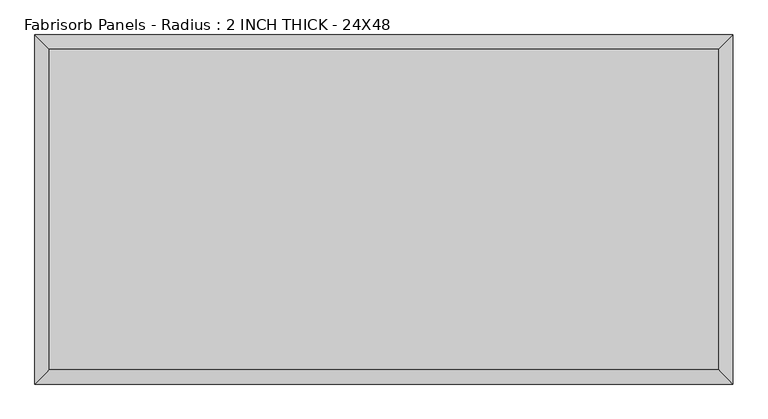
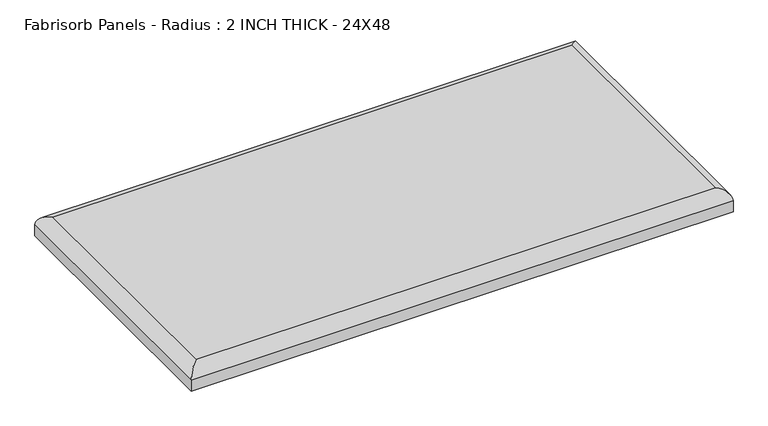
"""IFC4 building model written with IfcOpenShell, lengths in millimetres: proxy geometry, Fabrisorb Panels - Radius : 2 INCH THICK - 24X48."""

from ifc_helpers import new_model, si_unit, frame, origin, place, context, project, spatial, ellipse_curve, source, transform, mapped, element, save
from ifc_brep_helpers import plane_surface, cylinder_surface, advanced_brep


def fabrisorb_panels_radius_2_inch_thick_24x48_10f43e96(model_context):
    return source(origin(), model_context, "Body", "AdvancedBrep", [
        advanced_brep(
        [(584.2, 279.4, 50.8), (-584.2, 279.4, 50.8), (-584.2, -279.4, 50.8), (584.2, -279.4, 50.8), (-609.6, 304.8, 0.0), (609.6, 304.8, 0.0), (609.6, -304.8, 0.0), (-609.6, -304.8, 0.0), (-609.6, -304.8, 25.4), (-609.6, 304.8, 25.4), (609.6, -304.8, 25.4), (609.6, 304.8, 25.4)],
        [
            (0, 1),
            (1, 2),
            (2, 3),
            (3, 0),
            (4, 5),
            (5, 6),
            (6, 7),
            (7, 4),
            (7, 8),
            (8, 9),
            (9, 4),
            (6, 10),
            (10, 8),
            (5, 11),
            (11, 10),
            (9, 11),
            (9, 1, ellipse_curve(frame((-584.2, 279.4, 25.4), z_axis=(0.7071067811865478, 0.7071067811865474, 0.0), x_axis=(-0.7071067811865471, 0.7071067811865479, 0.0)), 35.9210245, 25.4)),
            (0, 11, ellipse_curve(frame((584.2, 279.4, 25.4), z_axis=(-0.7071067811865474, 0.7071067811865477, 0.0), x_axis=(-0.7071067811865478, -0.7071067811865474, 0.0)), 35.9210245, 25.4)),
            (8, 2, ellipse_curve(frame((-584.2, -279.4, 25.4), z_axis=(-0.7071067811865472, 0.7071067811865477, 0.0), x_axis=(-0.7071067811865476, -0.7071067811865475, 0.0)), 35.9210245, 25.4)),
            (10, 3, ellipse_curve(frame((584.2, -279.4, 25.4), z_axis=(-0.7071067811865477, -0.7071067811865474, 0.0), x_axis=(0.7071067811865474, -0.7071067811865476, 0.0)), 35.9210245, 25.4)),
        ],
        [
            plane_surface(frame((-609.6, 304.8, 50.8), z_axis=(0.0, 0.0, 1.0), x_axis=(0.0, -1.0, 0.0))),
            plane_surface(frame((-609.6, 304.8, 0.0), z_axis=(0.0, 0.0, -1.0), x_axis=(0.0, 1.0, 0.0))),
            plane_surface(frame((-609.6, 304.8, 50.8), z_axis=(-1.0, 0.0, 0.0), x_axis=(0.0, 0.0, -1.0))),
            plane_surface(frame((-609.6, -304.8, 50.8), z_axis=(0.0, -1.0, 0.0), x_axis=(0.0, 0.0, -1.0))),
            plane_surface(frame((609.6, -304.8, 50.8), z_axis=(1.0, 0.0, 0.0), x_axis=(0.0, 0.0, -1.0))),
            plane_surface(frame((609.6, 304.8, 50.8), z_axis=(0.0, 1.0, 0.0), x_axis=(0.0, 0.0, -1.0))),
            cylinder_surface(frame((609.6, 279.4, 25.4), z_axis=(-1.0, 0.0, 0.0), x_axis=(0.0, 1.0, 0.0)), 25.4),
            cylinder_surface(frame((-584.2, 304.8, 25.4), z_axis=(0.0, -1.0, 0.0), x_axis=(-1.0, 0.0, 0.0)), 25.4),
            cylinder_surface(frame((-609.6, -279.4, 25.4), z_axis=(1.0, 0.0, 0.0), x_axis=(0.0, -1.0, 0.0)), 25.4),
            cylinder_surface(frame((584.2, -304.8, 25.4), z_axis=(0.0, 1.0, 0.0), x_axis=(1.0, 0.0, 0.0)), 25.4),
        ],
        [
            (0, [[1, 2, 3, 4]]),
            (1, [[5, 6, 7, 8]]),
            (2, [[-8, 9, 10, 11]]),
            (3, [[-7, 12, 13, -9]]),
            (4, [[-6, 14, 15, -12]]),
            (5, [[-5, -11, 16, -14]]),
            (6, [[17, -1, 18, -16]]),
            (7, [[-17, -10, 19, -2]]),
            (8, [[-19, -13, 20, -3]]),
            (9, [[-18, -4, -20, -15]]),
        ],
    ),
    ])


if __name__ == "__main__":
    model = new_model("IFC4")
    model_context = context("Model", 3, world=origin())
    ifc_project = project(units=[si_unit("LENGTHUNIT", "METRE", prefix="MILLI")], contexts=[model_context])
    site = spatial("IfcSite", under=ifc_project)
    building = spatial("IfcBuilding", under=site)
    placement = place(None, origin())
    fabrisorb_panels_radius_2_inch_thick_24x48_shape = fabrisorb_panels_radius_2_inch_thick_24x48_10f43e96(model_context)
    element("IfcBuildingElementProxy", 1, Name="Fabrisorb Panels - Radius : 2 INCH THICK - 24X48", ObjectType="Fabrisorb Panels - Radius : 2 INCH THICK - 24X48", at=placement, inside=building, context=model_context, shape_type="MappedRepresentation", body=[
        mapped(fabrisorb_panels_radius_2_inch_thick_24x48_shape, transform((0.0, 0.0, 0.0), x_axis=(1.0, 0.0, 0.0), y_axis=(0.0, 1.0, 0.0), z_axis=(0.0, 0.0, 1.0))),
    ])
    save(model, "model.ifc")
